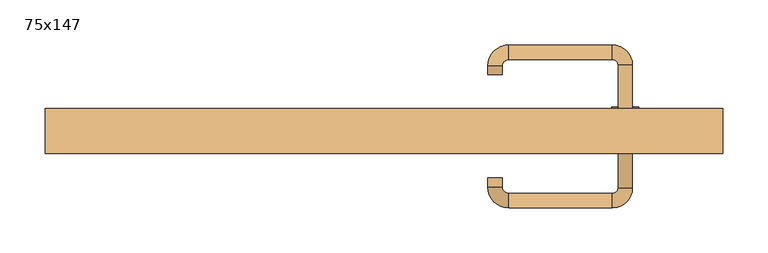
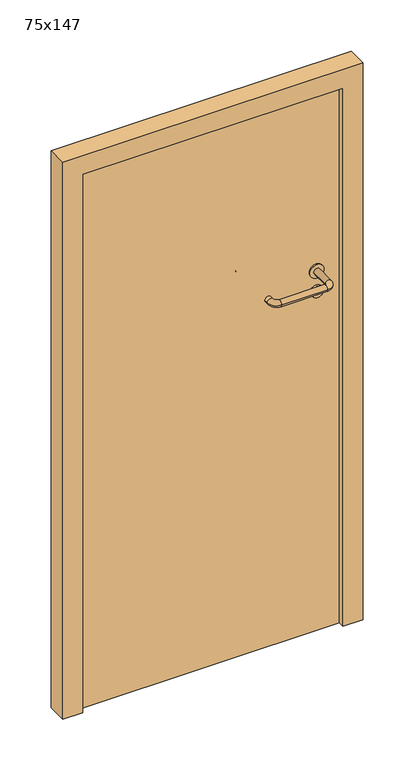
"""IFC4 building model written with IfcOpenShell, lengths in millimetres: door geometry, 75x147."""

from ifc_helpers import new_model, si_unit, point, frame, frame_2d, origin, origin_with_axes, place, context, project, spatial, polyline, circle_curve, ellipse_curve, trimmed, segment, composite_curve, outline, extrude, source, transform, mapped, element, save
from ifc_brep_helpers import plane_surface, cylinder_surface, revolved_surface, advanced_brep


def door_75x147_57100bf5(model_context):
    return source(origin(), model_context, "Body", "SolidModel", [
        extrude(outline(composite_curve([segment(trimmed(circle_curve(frame_2d((897.3605726, 267.0)), 15.0), [point((897.3605726, 282.0))], [point((897.3605726, 252.0))], False, "CARTESIAN"), True, "CONTINUOUS"), segment(trimmed(circle_curve(frame_2d((897.3605726, 267.0)), 15.0), [point((897.3605726, 252.0))], [point((897.3605726, 282.0))], False, "CARTESIAN"), True, "CONTINUOUS")], self_intersect=False), holes=[composite_curve([segment(trimmed(circle_curve(frame_2d((892.5833211, 266.9398032)), 2.0), [point((892.5833211, 268.9398032))], [point((892.5833211, 264.9398032))], True, "CARTESIAN"), True, "CONTINUOUS"), segment(polyline([(892.5833211, 264.9398032), (902.5833211, 264.9398032)]), True, "CONTINUOUS"), segment(trimmed(circle_curve(frame_2d((902.5833211, 266.9398032)), 2.0), [point((902.5833211, 264.9398032))], [point((902.5833211, 268.9398032))], True, "CARTESIAN"), True, "CONTINUOUS"), segment(polyline([(902.5833211, 268.9398032), (892.5833211, 268.9398032)]), True, "CONTINUOUS")], self_intersect=False)]), frame((0.0, 33.65, 0.0), z_axis=(0.0, 1.0, 0.0), x_axis=(0.0, 0.0, 1.0)), (0.0, 0.0, 1.0), 6.35),
        extrude(outline(composite_curve([segment(trimmed(circle_curve(frame_2d((950.0, 267.0)), 17.526), [point((950.0, 284.526))], [point((950.0, 249.474))], False, "CARTESIAN"), True, "CONTINUOUS"), segment(trimmed(circle_curve(frame_2d((950.0, 267.0)), 17.526), [point((950.0, 249.474))], [point((950.0, 284.526))], False, "CARTESIAN"), True, "CONTINUOUS")], self_intersect=False)), frame((0.0, 36.825, 0.0), z_axis=(0.0, 1.0, 0.0), x_axis=(0.0, 0.0, 1.0)), (0.0, 0.0, 1.0), 3.175),
        advanced_brep(
        [(275.0, 40.0, 950.0), (259.0, 40.0, 950.0), (259.0, -13.0, 950.0), (275.0, -13.0, 950.0), (252.8578644, -19.1421356, 950.0), (252.8578644, -35.1421356, 950.0), (137.8578644, -19.1421356, 950.0), (137.8578644, -35.1421356, 950.0), (131.008622, -12.2928932, 950.0), (115.008622, -12.2928932, 950.0), (115.008622, -2.2928932, 950.0), (131.008622, -2.2928932, 950.0)],
        [
            (0, 1, circle_curve(frame((267.0, 40.0, 950.0), z_axis=(0.0, 1.0, 0.0), x_axis=(-1.0, 0.0, 0.0)), 8.0)),
            (1, 0, circle_curve(frame((267.0, 40.0, 950.0), z_axis=(0.0, 1.0, 0.0), x_axis=(-1.0, 0.0, 0.0)), 8.0)),
            (1, 2),
            (2, 3, circle_curve(frame((267.0, -13.0, 950.0), z_axis=(0.0, 1.0, 0.0), x_axis=(-1.0, 0.0, 0.0)), 8.0)),
            (3, 0),
            (3, 2, circle_curve(frame((267.0, -13.0, 950.0), z_axis=(0.0, 1.0, 0.0), x_axis=(-1.0, 0.0, 0.0)), 8.0)),
            (4, 5, circle_curve(frame((252.8578644, -27.1421356, 950.0), z_axis=(1.0, 0.0, 0.0), x_axis=(0.0, 1.0, 0.0)), 8.0)),
            (5, 3, circle_curve(frame((252.8578644, -13.0, 950.0), z_axis=(0.0, 0.0, 1.0), x_axis=(1.0, 0.0, 0.0)), 22.1421356)),
            (2, 4, circle_curve(frame((252.8578644, -13.0, 950.0), z_axis=(0.0, 0.0, -1.0), x_axis=(1.0, 0.0, 0.0)), 6.1421356)),
            (5, 4, circle_curve(frame((252.8578644, -27.1421356, 950.0), z_axis=(1.0, 0.0, 0.0), x_axis=(0.0, 1.0, 0.0)), 8.0)),
            (4, 6),
            (6, 7, circle_curve(frame((137.8578644, -27.1421356, 950.0), z_axis=(1.0, 0.0, 0.0), x_axis=(0.0, 1.0, 0.0)), 8.0)),
            (7, 5),
            (7, 6, circle_curve(frame((137.8578644, -27.1421356, 950.0), z_axis=(1.0, 0.0, 0.0), x_axis=(0.0, 1.0, 0.0)), 8.0)),
            (8, 9, circle_curve(frame((123.008622, -12.2928932, 950.0), z_axis=(0.0, -1.0, 0.0), x_axis=(1.0, 0.0, 0.0)), 8.0)),
            (9, 7, circle_curve(frame((137.8578644, -12.2928932, 950.0), z_axis=(0.0, 0.0, 1.0), x_axis=(0.0, -1.0, 0.0)), 22.8492424)),
            (6, 8, circle_curve(frame((137.8578644, -12.2928932, 950.0), z_axis=(0.0, 0.0, -1.0), x_axis=(0.0, -1.0, 0.0)), 6.8492424)),
            (9, 8, circle_curve(frame((123.008622, -12.2928932, 950.0), z_axis=(0.0, -1.0, 0.0), x_axis=(1.0, 0.0, 0.0)), 8.0)),
            (10, 11, circle_curve(frame((123.008622, -2.2928932, 950.0), z_axis=(0.0, 1.0, 0.0), x_axis=(1.0, 0.0, 0.0)), 8.0)),
            (11, 10, circle_curve(frame((123.008622, -2.2928932, 950.0), z_axis=(0.0, 1.0, 0.0), x_axis=(1.0, 0.0, 0.0)), 8.0)),
            (8, 11),
            (10, 9),
        ],
        [
            plane_surface(frame((267.0, 40.0, 170.0), z_axis=(0.0, 1.0, 0.0), x_axis=(0.0, 0.0, 1.0))),
            cylinder_surface(frame((267.0, 40.0, 950.0), z_axis=(0.0, 1.0, 0.0), x_axis=(-1.0, 0.0, 0.0)), 8.0),
            revolved_surface(trimmed(ellipse_curve(frame((267.0, -13.0, 950.0), z_axis=(0.0, -1.0, 0.0), x_axis=(-1.0, 0.0, 0.0)), 8.0, 8.0), [point((275.0, -13.0, 950.0))], [point((259.0, -13.0, 950.0))], True, "CARTESIAN"), (252.8578644, -13.0, 170.0), (0.0, 0.0, 1.0)),
            revolved_surface(trimmed(ellipse_curve(frame((267.0, -13.0, 950.0), z_axis=(0.0, -1.0, 0.0), x_axis=(-1.0, 0.0, 0.0)), 8.0, 8.0), [point((259.0, -13.0, 950.0))], [point((275.0, -13.0, 950.0))], True, "CARTESIAN"), (252.8578644, -13.0, 170.0), (0.0, 0.0, 1.0)),
            cylinder_surface(frame((252.8578644, -27.1421356, 950.0), z_axis=(1.0, 0.0, 0.0), x_axis=(0.0, 1.0, 0.0)), 8.0),
            revolved_surface(trimmed(ellipse_curve(frame((137.8578644, -27.1421356, 950.0), z_axis=(-1.0, 0.0, 0.0), x_axis=(0.0, 1.0, 0.0)), 8.0, 8.0), [point((137.8578644, -35.1421356, 950.0))], [point((137.8578644, -19.1421356, 950.0))], True, "CARTESIAN"), (137.8578644, -12.2928932, 170.0), (0.0, 0.0, 1.0)),
            revolved_surface(trimmed(ellipse_curve(frame((137.8578644, -27.1421356, 950.0), z_axis=(-1.0, 0.0, 0.0), x_axis=(0.0, 1.0, 0.0)), 8.0, 8.0), [point((137.8578644, -19.1421356, 950.0))], [point((137.8578644, -35.1421356, 950.0))], True, "CARTESIAN"), (137.8578644, -12.2928932, 170.0), (0.0, 0.0, 1.0)),
            plane_surface(frame((123.008622, -2.2928932, 170.0), z_axis=(0.0, 1.0, 0.0), x_axis=(0.0, 0.0, 1.0))),
            cylinder_surface(frame((123.008622, -12.2928932, 950.0), z_axis=(0.0, -1.0, 0.0), x_axis=(1.0, 0.0, 0.0)), 8.0),
        ],
        [
            (0, [[1, 2]]),
            (1, [[3, 4, 5, -2]]),
            (1, [[-5, 6, -3, -1]]),
            (2, [[7, 8, -4, 9]]),
            (3, [[10, -9, -6, -8]]),
            (4, [[11, 12, 13, -7]]),
            (4, [[-13, 14, -11, -10]]),
            (5, [[15, 16, -12, 17]]),
            (6, [[18, -17, -14, -16]]),
            (7, [[19, 20]]),
            (8, [[21, -19, 22, -15]]),
            (8, [[-22, -20, -21, -18]]),
        ],
    ),
        extrude(outline(composite_curve([segment(trimmed(circle_curve(frame_2d((0.0, -15.0)), 15.0), [point((0.0, -30.0))], [point((0.0, 0.0))], False, "CARTESIAN"), True, "CONTINUOUS"), segment(trimmed(circle_curve(frame_2d((0.0, -15.0)), 15.0), [point((0.0, 0.0))], [point((0.0, -30.0))], False, "CARTESIAN"), True, "CONTINUOUS")], self_intersect=False), holes=[composite_curve([segment(trimmed(circle_curve(frame_2d((4.7772515, -14.9398032)), 2.0), [point((4.7772515, -16.9398032))], [point((4.7772515, -12.9398032))], True, "CARTESIAN"), True, "CONTINUOUS"), segment(polyline([(4.7772515, -12.9398032), (-5.2227485, -12.9398032)]), True, "CONTINUOUS"), segment(trimmed(circle_curve(frame_2d((-5.2227485, -14.9398032)), 2.0), [point((-5.2227485, -12.9398032))], [point((-5.2227485, -16.9398032))], True, "CARTESIAN"), True, "CONTINUOUS"), segment(polyline([(-5.2227485, -16.9398032), (4.7772515, -16.9398032)]), True, "CONTINUOUS")], self_intersect=False)]), frame((252.0, 70.0, 897.3605726), z_axis=(1.8870575173328306e-12, 1.0, 0.0), x_axis=(0.0, 0.0, -1.0)), (0.0, 0.0, 1.0), 6.35),
        extrude(outline(composite_curve([segment(trimmed(circle_curve(frame_2d((0.0, -17.526)), 17.526), [point((0.0, -35.052))], [point((0.0, 0.0))], False, "CARTESIAN"), True, "CONTINUOUS"), segment(trimmed(circle_curve(frame_2d((0.0, -17.526)), 17.526), [point((0.0, 0.0))], [point((0.0, -35.052))], False, "CARTESIAN"), True, "CONTINUOUS")], self_intersect=False)), frame((249.474, 70.0, 950.0), z_axis=(1.8870575173328306e-12, 1.0, 0.0), x_axis=(0.0, 0.0, -1.0)), (0.0, 0.0, 1.0), 3.175),
        advanced_brep(
        [(275.0, 70.0, 950.0), (259.0, 70.0, 950.0), (275.0, 123.0, 950.0), (259.0, 123.0, 950.0), (252.8578644, 129.1421356, 950.0), (252.8578644, 145.1421356, 950.0), (137.8578644, 145.1421356, 950.0), (137.8578644, 129.1421356, 950.0), (131.008622, 122.2928932, 950.0), (115.008622, 122.2928932, 950.0), (115.008622, 112.2928932, 950.0), (131.008622, 112.2928932, 950.0)],
        [
            (0, 1, circle_curve(frame((267.0, 70.0, 950.0), z_axis=(-1.888672253512351e-12, -1.0, 0.0), x_axis=(-1.0, 1.888672253512351e-12, 0.0)), 8.0)),
            (1, 0, circle_curve(frame((267.0, 70.0, 950.0), z_axis=(-1.888672253512351e-12, -1.0, 0.0), x_axis=(-1.0, 1.888672253512351e-12, 0.0)), 8.0)),
            (0, 2),
            (2, 3, circle_curve(frame((267.0, 123.0, 950.0), z_axis=(-1.888672253512351e-12, -1.0, 0.0), x_axis=(-1.0, 1.888672253512351e-12, 0.0)), 8.0)),
            (3, 1),
            (3, 2, circle_curve(frame((267.0, 123.0, 950.0), z_axis=(-1.888672253512351e-12, -1.0, 0.0), x_axis=(-1.0, 1.888672253512351e-12, 0.0)), 8.0)),
            (4, 3, circle_curve(frame((252.8578644, 123.0, 950.0), z_axis=(0.0, 0.0, -1.0), x_axis=(1.0, -1.880717803715015e-12, 0.0)), 6.1421356)),
            (2, 5, circle_curve(frame((252.8578644, 123.0, 950.0), z_axis=(0.0, 0.0, 1.0), x_axis=(1.0, -1.880717803715015e-12, 0.0)), 22.1421356)),
            (5, 4, circle_curve(frame((252.8578644, 137.1421356, 950.0), z_axis=(1.0, -1.913702061528922e-12, 0.0), x_axis=(-1.913702061528922e-12, -1.0, 0.0)), 8.0)),
            (4, 5, circle_curve(frame((252.8578644, 137.1421356, 950.0), z_axis=(1.0, -1.913702061528922e-12, 0.0), x_axis=(-1.913702061528922e-12, -1.0, 0.0)), 8.0)),
            (5, 6),
            (6, 7, circle_curve(frame((137.8578644, 137.1421356, 950.0), z_axis=(1.0, -1.913719828541269e-12, 0.0), x_axis=(-1.913719828541269e-12, -1.0, 0.0)), 8.0)),
            (7, 4),
            (7, 6, circle_curve(frame((137.8578644, 137.1421356, 950.0), z_axis=(1.0, -1.913719828541269e-12, 0.0), x_axis=(-1.913719828541269e-12, -1.0, 0.0)), 8.0)),
            (8, 7, circle_curve(frame((137.8578644, 122.2928932, 950.0), z_axis=(0.0, 0.0, -1.0), x_axis=(1.9120873253494017e-12, 1.0, 0.0)), 6.8492424)),
            (6, 9, circle_curve(frame((137.8578644, 122.2928932, 950.0), z_axis=(0.0, 0.0, 1.0), x_axis=(1.9120873253494017e-12, 1.0, 0.0)), 22.8492424)),
            (9, 8, circle_curve(frame((123.008622, 122.2928932, 950.0), z_axis=(1.890670654956676e-12, 1.0, 0.0), x_axis=(1.0, -1.890670654956676e-12, 0.0)), 8.0)),
            (8, 9, circle_curve(frame((123.008622, 122.2928932, 950.0), z_axis=(1.890226565746826e-12, 1.0, 0.0), x_axis=(1.0, -1.890226565746826e-12, 0.0)), 8.0)),
            (10, 11, circle_curve(frame((123.008622, 112.2928932, 950.0), z_axis=(-1.8903642334018795e-12, -1.0, 0.0), x_axis=(1.0, -1.8903642334018795e-12, 0.0)), 8.0)),
            (11, 10, circle_curve(frame((123.008622, 112.2928932, 950.0), z_axis=(-1.8903642334018795e-12, -1.0, 0.0), x_axis=(1.0, -1.8903642334018795e-12, 0.0)), 8.0)),
            (9, 10),
            (11, 8),
        ],
        [
            plane_surface(frame((267.0, 70.0, 170.0), z_axis=(-1.8870575173328306e-12, -1.0, 0.0), x_axis=(0.0, 0.0, 1.0))),
            cylinder_surface(frame((267.0, 70.0, 950.0), z_axis=(-1.888672253512351e-12, -1.0, 0.0), x_axis=(-1.0, 1.888672253512351e-12, 0.0)), 8.0),
            revolved_surface(trimmed(ellipse_curve(frame((267.0, 123.0, 950.0), z_axis=(-1.8823325398945356e-12, -1.0, 0.0), x_axis=(-1.0, 1.8823325398945356e-12, 0.0)), 8.0, 8.0), [point((275.0, 123.0, 950.0))], [point((259.0, 123.0, 950.0))], True, "CARTESIAN"), (252.8578644, 123.0, 170.0), (0.0, 0.0, 1.0)),
            revolved_surface(trimmed(ellipse_curve(frame((267.0, 123.0, 950.0), z_axis=(-1.8823325398945356e-12, -1.0, 0.0), x_axis=(-1.0, 1.8823325398945356e-12, 0.0)), 8.0, 8.0), [point((259.0, 123.0, 950.0))], [point((275.0, 123.0, 950.0))], True, "CARTESIAN"), (252.8578644, 123.0, 170.0), (0.0, 0.0, 1.0)),
            cylinder_surface(frame((252.8578644, 137.1421356, 950.0), z_axis=(1.0, -1.913719828541269e-12, 0.0), x_axis=(-1.913719828541269e-12, -1.0, 0.0)), 8.0),
            revolved_surface(trimmed(ellipse_curve(frame((137.8578644, 137.1421356, 950.0), z_axis=(1.0, -1.913702061528922e-12, 0.0), x_axis=(-1.913702061528922e-12, -1.0, 0.0)), 8.0, 8.0), [point((137.8578644, 145.1421356, 950.0))], [point((137.8578644, 129.1421356, 950.0))], True, "CARTESIAN"), (137.8578644, 122.2928932, 170.0), (0.0, 0.0, 1.0)),
            revolved_surface(trimmed(ellipse_curve(frame((137.8578644, 137.1421356, 950.0), z_axis=(1.0, -1.913702061528922e-12, 0.0), x_axis=(-1.913702061528922e-12, -1.0, 0.0)), 8.0, 8.0), [point((137.8578644, 129.1421356, 950.0))], [point((137.8578644, 145.1421356, 950.0))], True, "CARTESIAN"), (137.8578644, 122.2928932, 170.0), (0.0, 0.0, 1.0)),
            plane_surface(frame((123.008622, 112.2928932, 170.0), z_axis=(-1.8887494972223595e-12, -1.0, 0.0), x_axis=(0.0, 0.0, 1.0))),
            cylinder_surface(frame((123.008622, 122.2928932, 950.0), z_axis=(1.8903642334018795e-12, 1.0, 0.0), x_axis=(1.0, -1.8903642334018795e-12, 0.0)), 8.0),
        ],
        [
            (0, [[1, 2]]),
            (1, [[-1, 3, 4, 5]]),
            (1, [[-2, -5, 6, -3]]),
            (2, [[7, -4, 8, 9]]),
            (3, [[-8, -6, -7, 10]]),
            (4, [[-9, 11, 12, 13]]),
            (4, [[-10, -13, 14, -11]]),
            (5, [[15, -12, 16, 17]]),
            (6, [[-16, -14, -15, 18]]),
            (7, [[19, 20]]),
            (8, [[-17, 21, -20, 22]]),
            (8, [[-18, -22, -19, -21]]),
        ],
    ),
        extrude(outline(polyline([(1420.0, 325.0), (0.0, 325.0), (0.0, 375.0), (1470.0, 375.0), (1470.0, -375.0), (0.0, -375.0), (0.0, -325.0), (1420.0, -325.0), (1420.0, 325.0)])), frame((0.0, 25.0, 0.0), z_axis=(0.0, 1.0, 0.0), x_axis=(0.0, 0.0, 1.0)), (0.0, 0.0, 1.0), 50.0),
        extrude(outline(polyline([(-325.0, 70.0), (325.0, 70.0), (325.0, 40.0), (-325.0, 40.0), (-325.0, 70.0)])), origin_with_axes(), (0.0, 0.0, 1.0), 1420.0),
    ])


if __name__ == "__main__":
    model = new_model("IFC4")
    model_context = context("Model", 3, world=origin())
    ifc_project = project(units=[si_unit("LENGTHUNIT", "METRE", prefix="MILLI")], contexts=[model_context])
    site = spatial("IfcSite", under=ifc_project)
    building = spatial("IfcBuilding", under=site)
    placement = place(None, origin())
    door_75x147_shape = door_75x147_57100bf5(model_context)
    element("IfcDoor", 1, ObjectType="75x147", at=placement, inside=building, context=model_context, shape_type="MappedRepresentation", body=[
        mapped(door_75x147_shape, transform((0.0, 0.0, 0.0), x_axis=(1.0, 0.0, 0.0), y_axis=(0.0, 1.0, 0.0), z_axis=(0.0, 0.0, 1.0))),
    ])
    save(model, "model.ifc")
